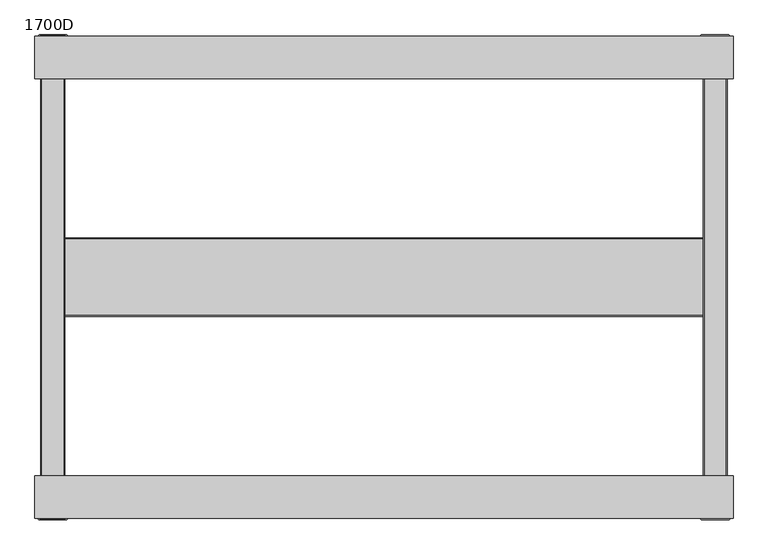
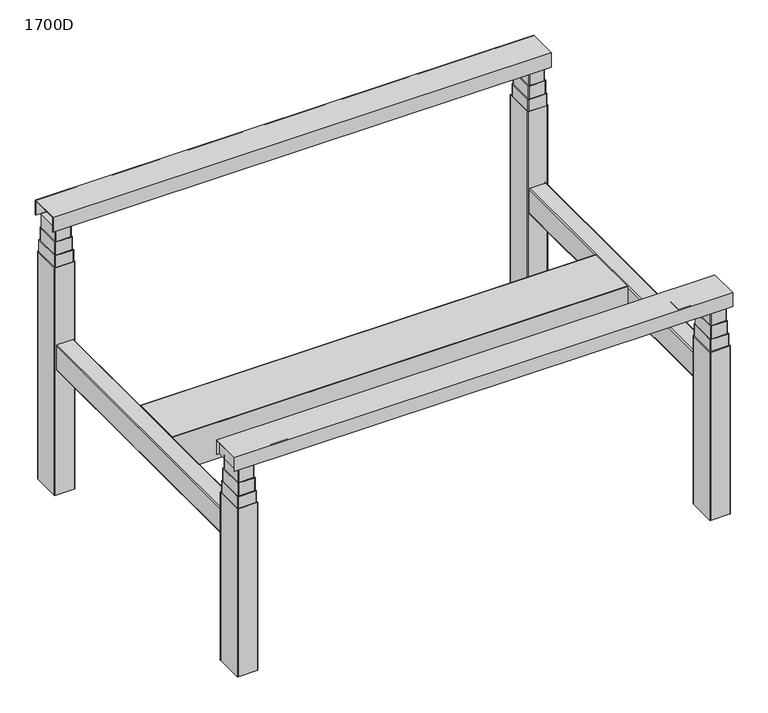
"""IFC4 building model written with IfcOpenShell, lengths in millimetres: furniture geometry, 1700D."""

from ifc_helpers import new_model, si_unit, point, frame, frame_2d, origin, origin_with_axes, place, context, project, spatial, polyline, circle_curve, ellipse_curve, trimmed, segment, composite_curve, outline, extrude, source, transform, mapped, element, save
from ifc_brep_helpers import plane_surface, cylinder_surface, revolved_surface, advanced_brep


def furniture_1700d_f0736d44(model_context):
    return source(origin(), model_context, "Body", "SolidModel", [
        extrude(outline(polyline([(547.344035, 940.0), (547.344035, 891.5047426), (545.9449098, 891.5047426), (545.9449098, 939.1108675), (451.9421795, 939.1108675), (451.9421795, 891.5047426), (450.5421795, 891.5047426), (450.5421795, 940.0), (547.344035, 940.0)])), frame((-791.6392613, 0.0, 0.0), z_axis=(1.0, 0.0, 0.0), x_axis=(0.0, 1.0, 0.0)), (0.0, 0.0, 1.0), 1583.2785484),
        extrude(outline(composite_curve([segment(trimmed(circle_curve(frame_2d((728.3996317, 462.4319041)), 2.0), [point((728.3996317, 460.4319041))], [point((726.3996317, 462.4319041))], False, "CARTESIAN"), True, "CONTINUOUS"), segment(polyline([(726.3996317, 462.4319041), (726.3996317, 538.4320598)]), True, "CONTINUOUS"), segment(trimmed(circle_curve(frame_2d((728.3996317, 538.4320598)), 2.0), [point((726.3996317, 538.4320598))], [point((728.3996317, 540.4320598))], False, "CARTESIAN"), True, "CONTINUOUS"), segment(polyline([(728.3996317, 540.4320598), (774.3996805, 540.4320598)]), True, "CONTINUOUS"), segment(trimmed(circle_curve(frame_2d((774.3996805, 538.4320598)), 2.0), [point((774.3996805, 540.4320598))], [point((776.3996805, 538.4320598))], False, "CARTESIAN"), True, "CONTINUOUS"), segment(polyline([(776.3996805, 538.4320598), (776.3996805, 462.4319041)]), True, "CONTINUOUS"), segment(trimmed(circle_curve(frame_2d((774.3996805, 462.4319041)), 2.0), [point((776.3996805, 462.4319041))], [point((774.3996805, 460.4319041))], False, "CARTESIAN"), True, "CONTINUOUS"), segment(polyline([(774.3996805, 460.4319041), (728.3996317, 460.4319041)]), True, "CONTINUOUS")], self_intersect=False)), frame((0.0, 0.0, 846.4791092), z_axis=(0.0, 0.0, 1.0), x_axis=(1.0, 0.0, 0.0)), (0.0, 0.0, 1.0), 45.0256334),
        extrude(outline(composite_curve([segment(polyline([(-728.3996317, 462.8319041), (-774.3996805, 462.8319041)]), True, "CONTINUOUS"), segment(trimmed(circle_curve(frame_2d((-774.3996805, 464.8319041)), 2.0), [point((-774.3996805, 462.8319041))], [point((-776.3996805, 464.8319041))], False, "CARTESIAN"), True, "CONTINUOUS"), segment(polyline([(-776.3996805, 464.8319041), (-776.3996805, 540.8320598)]), True, "CONTINUOUS"), segment(trimmed(circle_curve(frame_2d((-774.3996805, 540.8320598)), 2.0), [point((-776.3996805, 540.8320598))], [point((-774.3996805, 542.8320598))], False, "CARTESIAN"), True, "CONTINUOUS"), segment(polyline([(-774.3996805, 542.8320598), (-728.3996317, 542.8320598)]), True, "CONTINUOUS"), segment(trimmed(circle_curve(frame_2d((-728.3996317, 540.8320598)), 2.0), [point((-728.3996317, 542.8320598))], [point((-726.3996317, 540.8320598))], False, "CARTESIAN"), True, "CONTINUOUS"), segment(polyline([(-726.3996317, 540.8320598), (-726.3996317, 464.8319041)]), True, "CONTINUOUS"), segment(trimmed(circle_curve(frame_2d((-728.3996317, 464.8319041)), 2.0), [point((-726.3996317, 464.8319041))], [point((-728.3996317, 462.8319041))], False, "CARTESIAN"), True, "CONTINUOUS")], self_intersect=False)), frame((0.0, 0.0, 846.4791092), z_axis=(0.0, 0.0, 1.0), x_axis=(1.0, 0.0, 0.0)), (0.0, 0.0, 1.0), 45.0256334),
        extrude(outline(composite_curve([segment(trimmed(circle_curve(frame_2d((725.8974588, 459.9312816)), 2.0), [point((725.8974588, 457.9312816))], [point((723.8974588, 459.9312816))], False, "CARTESIAN"), True, "CONTINUOUS"), segment(polyline([(723.8974588, 459.9312816), (723.8974588, 540.9307445)]), True, "CONTINUOUS"), segment(trimmed(circle_curve(frame_2d((725.8974588, 540.9307445)), 2.0), [point((723.8974588, 540.9307445))], [point((725.8974588, 542.9307445))], False, "CARTESIAN"), True, "CONTINUOUS"), segment(polyline([(725.8974588, 542.9307445), (776.8984985, 542.9307445)]), True, "CONTINUOUS"), segment(trimmed(circle_curve(frame_2d((776.8984985, 540.9307445)), 2.0), [point((776.8984985, 542.9307445))], [point((778.8984985, 540.9307445))], False, "CARTESIAN"), True, "CONTINUOUS"), segment(polyline([(778.8984985, 540.9307445), (778.8984985, 459.9312816)]), True, "CONTINUOUS"), segment(trimmed(circle_curve(frame_2d((776.8984985, 459.9312816)), 2.0), [point((778.8984985, 459.9312816))], [point((776.8984985, 457.9312816))], False, "CARTESIAN"), True, "CONTINUOUS"), segment(polyline([(776.8984985, 457.9312816), (725.8974588, 457.9312816)]), True, "CONTINUOUS")], self_intersect=False)), frame((0.0, 0.0, 803.4550737), z_axis=(0.0, 0.0, 1.0), x_axis=(1.0, 0.0, 0.0)), (0.0, 0.0, 1.0), 43.0240355),
        extrude(outline(composite_curve([segment(polyline([(-725.8974588, 460.3312816), (-776.8973977, 460.3312816)]), True, "CONTINUOUS"), segment(trimmed(circle_curve(frame_2d((-776.8973977, 462.3312816)), 2.0), [point((-776.8973977, 460.3312816))], [point((-778.8973977, 462.3312816))], False, "CARTESIAN"), True, "CONTINUOUS"), segment(polyline([(-778.8973977, 462.3312816), (-778.8973977, 543.3307445)]), True, "CONTINUOUS"), segment(trimmed(circle_curve(frame_2d((-776.8973977, 543.3307445)), 2.0), [point((-778.8973977, 543.3307445))], [point((-776.8973977, 545.3307445))], False, "CARTESIAN"), True, "CONTINUOUS"), segment(polyline([(-776.8973977, 545.3307445), (-725.8974588, 545.3307445)]), True, "CONTINUOUS"), segment(trimmed(circle_curve(frame_2d((-725.8974588, 543.3307445)), 2.0), [point((-725.8974588, 545.3307445))], [point((-723.8974588, 543.3307445))], False, "CARTESIAN"), True, "CONTINUOUS"), segment(polyline([(-723.8974588, 543.3307445), (-723.8974588, 462.3312816)]), True, "CONTINUOUS"), segment(trimmed(circle_curve(frame_2d((-725.8974588, 462.3312816)), 2.0), [point((-723.8974588, 462.3312816))], [point((-725.8974588, 460.3312816))], False, "CARTESIAN"), True, "CONTINUOUS")], self_intersect=False)), frame((0.0, 0.0, 803.4550737), z_axis=(0.0, 0.0, 1.0), x_axis=(1.0, 0.0, 0.0)), (0.0, 0.0, 1.0), 43.0240355),
        extrude(outline(composite_curve([segment(trimmed(circle_curve(frame_2d((723.3983866, 457.5376292)), 2.0), [point((723.3983866, 455.5376292))], [point((721.3983866, 457.5376292))], False, "CARTESIAN"), True, "CONTINUOUS"), segment(polyline([(721.3983866, 457.5376292), (721.3983866, 543.3794322)]), True, "CONTINUOUS"), segment(trimmed(circle_curve(frame_2d((723.3983866, 543.3794322)), 2.0), [point((721.3983866, 543.3794322))], [point((723.3983866, 545.3794322))], False, "CARTESIAN"), True, "CONTINUOUS"), segment(polyline([(723.3983866, 545.3794322), (779.4132014, 545.3794322)]), True, "CONTINUOUS"), segment(trimmed(circle_curve(frame_2d((779.4132014, 543.3794322)), 2.0), [point((779.4132014, 545.3794322))], [point((781.4132014, 543.3794322))], False, "CARTESIAN"), True, "CONTINUOUS"), segment(polyline([(781.4132014, 543.3794322), (781.4132014, 457.5376292)]), True, "CONTINUOUS"), segment(trimmed(circle_curve(frame_2d((779.4132014, 457.5376292)), 2.0), [point((781.4132014, 457.5376292))], [point((779.4132014, 455.5376292))], False, "CARTESIAN"), True, "CONTINUOUS"), segment(polyline([(779.4132014, 455.5376292), (723.3983866, 455.5376292)]), True, "CONTINUOUS")], self_intersect=False)), frame((0.0, 0.0, 764.2068252), z_axis=(0.0, 0.0, 1.0), x_axis=(1.0, 0.0, 0.0)), (0.0, 0.0, 1.0), 39.2482485),
        extrude(outline(composite_curve([segment(polyline([(-723.3983866, 457.9376292), (-779.4114566, 457.9376292)]), True, "CONTINUOUS"), segment(trimmed(circle_curve(frame_2d((-779.4114566, 459.9376292)), 2.0), [point((-779.4114566, 457.9376292))], [point((-781.4114566, 459.9376292))], False, "CARTESIAN"), True, "CONTINUOUS"), segment(polyline([(-781.4114566, 459.9376292), (-781.4114566, 545.9352367)]), True, "CONTINUOUS"), segment(trimmed(circle_curve(frame_2d((-779.4114566, 545.9352367)), 2.0), [point((-781.4114566, 545.9352367))], [point((-779.4114566, 547.9352367))], False, "CARTESIAN"), True, "CONTINUOUS"), segment(polyline([(-779.4114566, 547.9352367), (-723.3983866, 547.9352367)]), True, "CONTINUOUS"), segment(trimmed(circle_curve(frame_2d((-723.3983866, 545.9352367)), 2.0), [point((-723.3983866, 547.9352367))], [point((-721.3983866, 545.9352367))], False, "CARTESIAN"), True, "CONTINUOUS"), segment(polyline([(-721.3983866, 545.9352367), (-721.3983866, 459.9376292)]), True, "CONTINUOUS"), segment(trimmed(circle_curve(frame_2d((-723.3983866, 459.9376292)), 2.0), [point((-721.3983866, 459.9376292))], [point((-723.3983866, 457.9376292))], False, "CARTESIAN"), True, "CONTINUOUS")], self_intersect=False)), frame((0.0, 0.0, 764.2068252), z_axis=(0.0, 0.0, 1.0), x_axis=(1.0, 0.0, 0.0)), (0.0, 0.0, 1.0), 39.2482485),
        extrude(outline(composite_curve([segment(trimmed(circle_curve(frame_2d((720.5708642, 457.3327495)), 2.0), [point((720.5708642, 455.3327495))], [point((718.5708642, 457.3327495))], False, "CARTESIAN"), True, "CONTINUOUS"), segment(polyline([(718.5708642, 457.3327495), (718.5708642, 548.2883848)]), True, "CONTINUOUS"), segment(trimmed(circle_curve(frame_2d((720.5708642, 548.2883848)), 2.0), [point((718.5708642, 548.2883848))], [point((720.5708642, 550.2883848))], False, "CARTESIAN"), True, "CONTINUOUS"), segment(polyline([(720.5708642, 550.2883848), (781.577537, 550.2883848)]), True, "CONTINUOUS"), segment(trimmed(circle_curve(frame_2d((781.577537, 548.2883848)), 2.0), [point((781.577537, 550.2883848))], [point((783.577537, 548.2883848))], False, "CARTESIAN"), True, "CONTINUOUS"), segment(polyline([(783.577537, 548.2883848), (783.577537, 457.3327495)]), True, "CONTINUOUS"), segment(trimmed(circle_curve(frame_2d((781.577537, 457.3327495)), 2.0), [point((783.577537, 457.3327495))], [point((781.577537, 455.3327495))], False, "CARTESIAN"), True, "CONTINUOUS"), segment(polyline([(781.577537, 455.3327495), (720.5708642, 455.3327495)]), True, "CONTINUOUS")], self_intersect=False)), origin_with_axes(), (0.0, 0.0, 1.0), 764.2068252),
        extrude(outline(composite_curve([segment(polyline([(-720.5708642, 455.3327495), (-781.577537, 455.3327495)]), True, "CONTINUOUS"), segment(trimmed(circle_curve(frame_2d((-781.577537, 457.3327495)), 2.0), [point((-781.577537, 455.3327495))], [point((-783.577537, 457.3327495))], False, "CARTESIAN"), True, "CONTINUOUS"), segment(polyline([(-783.577537, 457.3327495), (-783.577537, 548.2883848)]), True, "CONTINUOUS"), segment(trimmed(circle_curve(frame_2d((-781.577537, 548.2883848)), 2.0), [point((-783.577537, 548.2883848))], [point((-781.577537, 550.2883848))], False, "CARTESIAN"), True, "CONTINUOUS"), segment(polyline([(-781.577537, 550.2883848), (-720.5708642, 550.2883848)]), True, "CONTINUOUS"), segment(trimmed(circle_curve(frame_2d((-720.5708642, 548.2883848)), 2.0), [point((-720.5708642, 550.2883848))], [point((-718.5708642, 548.2883848))], False, "CARTESIAN"), True, "CONTINUOUS"), segment(polyline([(-718.5708642, 548.2883848), (-718.5708642, 457.3327495)]), True, "CONTINUOUS"), segment(trimmed(circle_curve(frame_2d((-720.5708642, 457.3327495)), 2.0), [point((-718.5708642, 457.3327495))], [point((-720.5708642, 455.3327495))], False, "CARTESIAN"), True, "CONTINUOUS")], self_intersect=False)), origin_with_axes(), (0.0, 0.0, 1.0), 764.2068252),
        extrude(outline(composite_curve([segment(trimmed(circle_curve(frame_2d((-728.3996317, -464.8319041)), 2.0), [point((-728.3996317, -462.8319041))], [point((-726.3996317, -464.8319041))], False, "CARTESIAN"), True, "CONTINUOUS"), segment(polyline([(-726.3996317, -464.8319041), (-726.3996317, -540.8320598)]), True, "CONTINUOUS"), segment(trimmed(circle_curve(frame_2d((-728.3996317, -540.8320598)), 2.0), [point((-726.3996317, -540.8320598))], [point((-728.3996317, -542.8320598))], False, "CARTESIAN"), True, "CONTINUOUS"), segment(polyline([(-728.3996317, -542.8320598), (-774.3996805, -542.8320598)]), True, "CONTINUOUS"), segment(trimmed(circle_curve(frame_2d((-774.3996805, -540.8320598)), 2.0), [point((-774.3996805, -542.8320598))], [point((-776.3996805, -540.8320598))], False, "CARTESIAN"), True, "CONTINUOUS"), segment(polyline([(-776.3996805, -540.8320598), (-776.3996805, -464.8319041)]), True, "CONTINUOUS"), segment(trimmed(circle_curve(frame_2d((-774.3996805, -464.8319041)), 2.0), [point((-776.3996805, -464.8319041))], [point((-774.3996805, -462.8319041))], False, "CARTESIAN"), True, "CONTINUOUS"), segment(polyline([(-774.3996805, -462.8319041), (-728.3996317, -462.8319041)]), True, "CONTINUOUS")], self_intersect=False)), frame((0.0, 0.0, 646.4791092), z_axis=(0.0, 0.0, 1.0), x_axis=(1.0, 0.0, 0.0)), (0.0, 0.0, 1.0), 45.0256334),
        extrude(outline(composite_curve([segment(polyline([(728.3996317, -460.4319041), (774.3996805, -460.4319041)]), True, "CONTINUOUS"), segment(trimmed(circle_curve(frame_2d((774.3996805, -462.4319041)), 2.0), [point((774.3996805, -460.4319041))], [point((776.3996805, -462.4319041))], False, "CARTESIAN"), True, "CONTINUOUS"), segment(polyline([(776.3996805, -462.4319041), (776.3996805, -538.4320598)]), True, "CONTINUOUS"), segment(trimmed(circle_curve(frame_2d((774.3996805, -538.4320598)), 2.0), [point((776.3996805, -538.4320598))], [point((774.3996805, -540.4320598))], False, "CARTESIAN"), True, "CONTINUOUS"), segment(polyline([(774.3996805, -540.4320598), (728.3996317, -540.4320598)]), True, "CONTINUOUS"), segment(trimmed(circle_curve(frame_2d((728.3996317, -538.4320598)), 2.0), [point((728.3996317, -540.4320598))], [point((726.3996317, -538.4320598))], False, "CARTESIAN"), True, "CONTINUOUS"), segment(polyline([(726.3996317, -538.4320598), (726.3996317, -462.4319041)]), True, "CONTINUOUS"), segment(trimmed(circle_curve(frame_2d((728.3996317, -462.4319041)), 2.0), [point((726.3996317, -462.4319041))], [point((728.3996317, -460.4319041))], False, "CARTESIAN"), True, "CONTINUOUS")], self_intersect=False)), frame((0.0, 0.0, 646.4791092), z_axis=(0.0, 0.0, 1.0), x_axis=(1.0, 0.0, 0.0)), (0.0, 0.0, 1.0), 45.0256334),
        extrude(outline(composite_curve([segment(polyline([(725.8974588, -457.9312816), (776.8984985, -457.9312816)]), True, "CONTINUOUS"), segment(trimmed(circle_curve(frame_2d((776.8984985, -459.9312816)), 2.0), [point((776.8984985, -457.9312816))], [point((778.8984985, -459.9312816))], False, "CARTESIAN"), True, "CONTINUOUS"), segment(polyline([(778.8984985, -459.9312816), (778.8984985, -540.9307445)]), True, "CONTINUOUS"), segment(trimmed(circle_curve(frame_2d((776.8984985, -540.9307445)), 2.0), [point((778.8984985, -540.9307445))], [point((776.8984985, -542.9307445))], False, "CARTESIAN"), True, "CONTINUOUS"), segment(polyline([(776.8984985, -542.9307445), (725.8974588, -542.9307445)]), True, "CONTINUOUS"), segment(trimmed(circle_curve(frame_2d((725.8974588, -540.9307445)), 2.0), [point((725.8974588, -542.9307445))], [point((723.8974588, -540.9307445))], False, "CARTESIAN"), True, "CONTINUOUS"), segment(polyline([(723.8974588, -540.9307445), (723.8974588, -459.9312816)]), True, "CONTINUOUS"), segment(trimmed(circle_curve(frame_2d((725.8974588, -459.9312816)), 2.0), [point((723.8974588, -459.9312816))], [point((725.8974588, -457.9312816))], False, "CARTESIAN"), True, "CONTINUOUS")], self_intersect=False)), frame((0.0, 0.0, 603.4550737), z_axis=(0.0, 0.0, 1.0), x_axis=(1.0, 0.0, 0.0)), (0.0, 0.0, 1.0), 43.0240355),
        extrude(outline(composite_curve([segment(trimmed(circle_curve(frame_2d((-725.8974588, -462.3312816)), 2.0), [point((-725.8974588, -460.3312816))], [point((-723.8974588, -462.3312816))], False, "CARTESIAN"), True, "CONTINUOUS"), segment(polyline([(-723.8974588, -462.3312816), (-723.8974588, -543.3307445)]), True, "CONTINUOUS"), segment(trimmed(circle_curve(frame_2d((-725.8974588, -543.3307445)), 2.0), [point((-723.8974588, -543.3307445))], [point((-725.8974588, -545.3307445))], False, "CARTESIAN"), True, "CONTINUOUS"), segment(polyline([(-725.8974588, -545.3307445), (-776.8973977, -545.3307445)]), True, "CONTINUOUS"), segment(trimmed(circle_curve(frame_2d((-776.8973977, -543.3307445)), 2.0), [point((-776.8973977, -545.3307445))], [point((-778.8973977, -543.3307445))], False, "CARTESIAN"), True, "CONTINUOUS"), segment(polyline([(-778.8973977, -543.3307445), (-778.8973977, -462.3312816)]), True, "CONTINUOUS"), segment(trimmed(circle_curve(frame_2d((-776.8973977, -462.3312816)), 2.0), [point((-778.8973977, -462.3312816))], [point((-776.8973977, -460.3312816))], False, "CARTESIAN"), True, "CONTINUOUS"), segment(polyline([(-776.8973977, -460.3312816), (-725.8974588, -460.3312816)]), True, "CONTINUOUS")], self_intersect=False)), frame((0.0, 0.0, 603.4550737), z_axis=(0.0, 0.0, 1.0), x_axis=(1.0, 0.0, 0.0)), (0.0, 0.0, 1.0), 43.0240355),
        extrude(outline(composite_curve([segment(polyline([(723.3983866, -455.5376292), (779.4132014, -455.5376292)]), True, "CONTINUOUS"), segment(trimmed(circle_curve(frame_2d((779.4132014, -457.5376292)), 2.0), [point((779.4132014, -455.5376292))], [point((781.4132014, -457.5376292))], False, "CARTESIAN"), True, "CONTINUOUS"), segment(polyline([(781.4132014, -457.5376292), (781.4132014, -543.3794322)]), True, "CONTINUOUS"), segment(trimmed(circle_curve(frame_2d((779.4132014, -543.3794322)), 2.0), [point((781.4132014, -543.3794322))], [point((779.4132014, -545.3794322))], False, "CARTESIAN"), True, "CONTINUOUS"), segment(polyline([(779.4132014, -545.3794322), (723.3983866, -545.3794322)]), True, "CONTINUOUS"), segment(trimmed(circle_curve(frame_2d((723.3983866, -543.3794322)), 2.0), [point((723.3983866, -545.3794322))], [point((721.3983866, -543.3794322))], False, "CARTESIAN"), True, "CONTINUOUS"), segment(polyline([(721.3983866, -543.3794322), (721.3983866, -457.5376292)]), True, "CONTINUOUS"), segment(trimmed(circle_curve(frame_2d((723.3983866, -457.5376292)), 2.0), [point((721.3983866, -457.5376292))], [point((723.3983866, -455.5376292))], False, "CARTESIAN"), True, "CONTINUOUS")], self_intersect=False)), frame((0.0, 0.0, 564.2068252), z_axis=(0.0, 0.0, 1.0), x_axis=(1.0, 0.0, 0.0)), (0.0, 0.0, 1.0), 39.2482485),
        extrude(outline(composite_curve([segment(trimmed(circle_curve(frame_2d((-723.3983866, -459.9376292)), 2.0), [point((-723.3983866, -457.9376292))], [point((-721.3983866, -459.9376292))], False, "CARTESIAN"), True, "CONTINUOUS"), segment(polyline([(-721.3983866, -459.9376292), (-721.3983866, -545.9352367)]), True, "CONTINUOUS"), segment(trimmed(circle_curve(frame_2d((-723.3983866, -545.9352367)), 2.0), [point((-721.3983866, -545.9352367))], [point((-723.3983866, -547.9352367))], False, "CARTESIAN"), True, "CONTINUOUS"), segment(polyline([(-723.3983866, -547.9352367), (-779.4114566, -547.9352367)]), True, "CONTINUOUS"), segment(trimmed(circle_curve(frame_2d((-779.4114566, -545.9352367)), 2.0), [point((-779.4114566, -547.9352367))], [point((-781.4114566, -545.9352367))], False, "CARTESIAN"), True, "CONTINUOUS"), segment(polyline([(-781.4114566, -545.9352367), (-781.4114566, -459.9376292)]), True, "CONTINUOUS"), segment(trimmed(circle_curve(frame_2d((-779.4114566, -459.9376292)), 2.0), [point((-781.4114566, -459.9376292))], [point((-779.4114566, -457.9376292))], False, "CARTESIAN"), True, "CONTINUOUS"), segment(polyline([(-779.4114566, -457.9376292), (-723.3983866, -457.9376292)]), True, "CONTINUOUS")], self_intersect=False)), frame((0.0, 0.0, 564.2068252), z_axis=(0.0, 0.0, 1.0), x_axis=(1.0, 0.0, 0.0)), (0.0, 0.0, 1.0), 39.2482485),
        extrude(outline(composite_curve([segment(trimmed(circle_curve(frame_2d((-720.5708642, -457.3327495)), 2.0), [point((-720.5708642, -455.3327495))], [point((-718.5708642, -457.3327495))], False, "CARTESIAN"), True, "CONTINUOUS"), segment(polyline([(-718.5708642, -457.3327495), (-718.5708642, -548.2883848)]), True, "CONTINUOUS"), segment(trimmed(circle_curve(frame_2d((-720.5708642, -548.2883848)), 2.0), [point((-718.5708642, -548.2883848))], [point((-720.5708642, -550.2883848))], False, "CARTESIAN"), True, "CONTINUOUS"), segment(polyline([(-720.5708642, -550.2883848), (-781.577537, -550.2883848)]), True, "CONTINUOUS"), segment(trimmed(circle_curve(frame_2d((-781.577537, -548.2883848)), 2.0), [point((-781.577537, -550.2883848))], [point((-783.577537, -548.2883848))], False, "CARTESIAN"), True, "CONTINUOUS"), segment(polyline([(-783.577537, -548.2883848), (-783.577537, -457.3327495)]), True, "CONTINUOUS"), segment(trimmed(circle_curve(frame_2d((-781.577537, -457.3327495)), 2.0), [point((-783.577537, -457.3327495))], [point((-781.577537, -455.3327495))], False, "CARTESIAN"), True, "CONTINUOUS"), segment(polyline([(-781.577537, -455.3327495), (-720.5708642, -455.3327495)]), True, "CONTINUOUS")], self_intersect=False)), origin_with_axes(), (0.0, 0.0, 1.0), 564.2068252),
        extrude(outline(composite_curve([segment(polyline([(720.5708642, -455.3327495), (781.577537, -455.3327495)]), True, "CONTINUOUS"), segment(trimmed(circle_curve(frame_2d((781.577537, -457.3327495)), 2.0), [point((781.577537, -455.3327495))], [point((783.577537, -457.3327495))], False, "CARTESIAN"), True, "CONTINUOUS"), segment(polyline([(783.577537, -457.3327495), (783.577537, -548.2883848)]), True, "CONTINUOUS"), segment(trimmed(circle_curve(frame_2d((781.577537, -548.2883848)), 2.0), [point((783.577537, -548.2883848))], [point((781.577537, -550.2883848))], False, "CARTESIAN"), True, "CONTINUOUS"), segment(polyline([(781.577537, -550.2883848), (720.5708642, -550.2883848)]), True, "CONTINUOUS"), segment(trimmed(circle_curve(frame_2d((720.5708642, -548.2883848)), 2.0), [point((720.5708642, -550.2883848))], [point((718.5708642, -548.2883848))], False, "CARTESIAN"), True, "CONTINUOUS"), segment(polyline([(718.5708642, -548.2883848), (718.5708642, -457.3327495)]), True, "CONTINUOUS"), segment(trimmed(circle_curve(frame_2d((720.5708642, -457.3327495)), 2.0), [point((718.5708642, -457.3327495))], [point((720.5708642, -455.3327495))], False, "CARTESIAN"), True, "CONTINUOUS")], self_intersect=False)), origin_with_axes(), (0.0, 0.0, 1.0), 564.2068252),
        extrude(outline(polyline([(647.2360611, 86.80003), (647.2360611, -86.80003), (-647.7639389, -86.80003), (-647.7639389, 86.80003), (647.2360611, 86.80003)])), frame((0.0, 0.0, 384.6749427), z_axis=(0.0, 0.0, 1.0), x_axis=(1.0, 0.0, 0.0)), (0.0, 0.0, 1.0), 1.1651018),
        extrude(outline(polyline([(505.0327586, -723.5069859), (430.3034231, -723.5069859), (384.6749427, -647.7639389), (384.6749427, 647.2360611), (428.3161968, 723.5069859), (505.0327586, 723.5069859), (505.0327586, -723.5069859)])), frame((0.0, -88.8000502, 0.0), z_axis=(0.0, 1.0, 0.0), x_axis=(0.0, 0.0, 1.0)), (0.0, 0.0, 1.0), 2.0000202),
        extrude(outline(polyline([(723.5069859, 86.80003), (723.5069859, -86.80003), (-723.5069859, -86.80003), (-723.5069859, 86.80003), (723.5069859, 86.80003)])), frame((0.0, 0.0, 503.3021681), z_axis=(0.0, 0.0, 1.0), x_axis=(1.0, 0.0, 0.0)), (0.0, 0.0, 1.0), 1.7305905),
        extrude(outline(polyline([(505.0327586, -723.5069859), (430.3034231, -723.5069859), (384.6749427, -647.7639389), (384.6749427, 647.2360611), (428.3161968, 723.5069859), (505.0327586, 723.5069859), (505.0327586, -723.5069859)])), frame((0.0, 86.80003, 0.0), z_axis=(0.0, 1.0, 0.0), x_axis=(0.0, 0.0, 1.0)), (0.0, 0.0, 1.0), 2.0000202),
        extrude(outline(polyline([(-783.577537, -453.3482098), (-621.0574382, -453.3482098), (-621.0574382, -543.9504314), (-783.577537, -543.9504314), (-783.577537, -453.3482098)])), frame((0.0, 0.0, 691.5047426), z_axis=(0.0, 0.0, 1.0), x_axis=(1.0, 0.0, 0.0)), (0.0, 0.0, 1.0), 47.6061249),
        extrude(outline(polyline([(791.6392871, -453.3482098), (791.6392871, -543.9504314), (621.0574382, -543.9504314), (621.0574382, -453.3482098), (791.6392871, -453.3482098)])), frame((0.0, 0.0, 691.5047426), z_axis=(0.0, 0.0, 1.0), x_axis=(1.0, 0.0, 0.0)), (0.0, 0.0, 1.0), 47.6061249),
        extrude(outline(polyline([(-547.344035, 740.0), (-450.5421795, 740.0), (-450.5421795, 691.5047426), (-451.9421795, 691.5047426), (-451.9421795, 739.1108675), (-545.9449098, 739.1108675), (-545.9449098, 691.5047426), (-547.344035, 691.5047426), (-547.344035, 740.0)])), frame((-791.6392613, 0.0, 0.0), z_axis=(1.0, 0.0, 0.0), x_axis=(0.0, 1.0, 0.0)), (0.0, 0.0, 1.0), 1583.2785484),
        advanced_brep(
        [(774.8213573, 499.2554852, 0.0), (726.3350461, 499.2554852, 0.0), (750.5782017, 499.2554852, 0.0), (774.8213573, 499.2554852, 4.7486355), (726.3350461, 499.2554852, 4.7486355), (753.9989006, 499.2554852, 8.0066122), (747.1575028, 499.2554852, 8.0066122), (753.9989006, 499.2554852, 22.507611), (747.1575028, 499.2554852, 22.507611), (750.5782017, 499.2554852, 22.507611)],
        [
            (0, 1, circle_curve(frame((750.5782017, 499.2554852, 0.0), z_axis=(0.0, 0.0, -1.0), x_axis=(-1.0, 0.0, 0.0)), 24.2431556)),
            (1, 2),
            (2, 0),
            (1, 0, circle_curve(frame((750.5782017, 499.2554852, 0.0), z_axis=(0.0, 0.0, -1.0), x_axis=(-1.0, 0.0, 0.0)), 24.2431556)),
            (3, 4, circle_curve(frame((750.5782017, 499.2554852, 4.7486355), z_axis=(0.0, 0.0, -1.0), x_axis=(-1.0, 0.0, 0.0)), 24.2431556)),
            (4, 1),
            (0, 3),
            (4, 3, circle_curve(frame((750.5782017, 499.2554852, 4.7486355), z_axis=(0.0, 0.0, -1.0), x_axis=(-1.0, 0.0, 0.0)), 24.2431556)),
            (5, 6, circle_curve(frame((750.5782017, 499.2554852, 8.0066122), z_axis=(0.0, 0.0, -1.0), x_axis=(-1.0, 0.0, 0.0)), 3.4206989)),
            (6, 4, circle_curve(frame((746.210294, 499.2554852, -54.1090384), z_axis=(0.0, -1.0, 0.0), x_axis=(-1.0, 0.0, 0.0)), 62.1228723)),
            (3, 5, circle_curve(frame((754.9461095, 499.2554852, -54.1090384), z_axis=(0.0, -1.0, 0.0), x_axis=(1.0, 0.0, 0.0)), 62.1228723)),
            (6, 5, circle_curve(frame((750.5782017, 499.2554852, 8.0066122), z_axis=(0.0, 0.0, -1.0), x_axis=(-1.0, 0.0, 0.0)), 3.4206989)),
            (7, 8, circle_curve(frame((750.5782017, 499.2554852, 22.507611), z_axis=(0.0, 0.0, -1.0), x_axis=(-1.0, 0.0, 0.0)), 3.4206989)),
            (8, 6),
            (5, 7),
            (8, 7, circle_curve(frame((750.5782017, 499.2554852, 22.507611), z_axis=(0.0, 0.0, -1.0), x_axis=(-1.0, 0.0, 0.0)), 3.4206989)),
            (9, 8),
            (7, 9),
        ],
        [
            plane_surface(frame((750.5782017, 499.2554852, 0.0), z_axis=(0.0, 0.0, -1.0), x_axis=(-1.0, 0.0, 0.0))),
            cylinder_surface(frame((750.5782017, 499.2554852, 22.507611), z_axis=(0.0, 0.0, 1.0), x_axis=(-1.0, 0.0, 0.0)), 24.2431556),
            revolved_surface(trimmed(ellipse_curve(frame((746.210294, 499.2554852, -54.1090384), z_axis=(0.0, 1.0, 0.0), x_axis=(-1.0, 0.0, 0.0)), 62.1228723, 62.1228723), [point((726.3350461, 499.2554852, 4.7486355))], [point((747.1575028, 499.2554852, 8.0066122))], True, "CARTESIAN"), (750.5782017, 499.2554852, 22.507611), (0.0, 0.0, 1.0)),
            cylinder_surface(frame((750.5782017, 499.2554852, 22.507611), z_axis=(0.0, 0.0, 1.0), x_axis=(-1.0, 0.0, 0.0)), 3.4206989),
            plane_surface(frame((750.5782017, 499.2554852, 22.507611), z_axis=(0.0, 0.0, 1.0), x_axis=(-1.0, 0.0, 0.0))),
        ],
        [
            (0, [[1, 2, 3]]),
            (0, [[4, -3, -2]]),
            (1, [[5, 6, -1, 7]]),
            (1, [[8, -7, -4, -6]]),
            (2, [[9, 10, -5, 11]]),
            (2, [[12, -11, -8, -10]]),
            (3, [[13, 14, -9, 15]]),
            (3, [[16, -15, -12, -14]]),
            (4, [[17, -13, 18]]),
            (4, [[-18, -16, -17]]),
        ],
    ),
        advanced_brep(
        [(750.5782017, -499.2554852, 0.0), (726.3350461, -499.2554852, 0.0), (774.8213573, -499.2554852, 0.0), (726.3350461, -499.2554852, 4.7486355), (774.8213573, -499.2554852, 4.7486355), (747.1575028, -499.2554852, 8.0066122), (753.9989006, -499.2554852, 8.0066122), (747.1575028, -499.2554852, 22.507611), (753.9989006, -499.2554852, 22.507611), (750.5782017, -499.2554852, 22.507611)],
        [
            (0, 1),
            (1, 2, circle_curve(frame((750.5782017, -499.2554852, 0.0), z_axis=(0.0, 0.0, -1.0), x_axis=(-1.0, 0.0, 0.0)), 24.2431556)),
            (2, 0),
            (2, 1, circle_curve(frame((750.5782017, -499.2554852, 0.0), z_axis=(0.0, 0.0, -1.0), x_axis=(-1.0, 0.0, 0.0)), 24.2431556)),
            (1, 3),
            (3, 4, circle_curve(frame((750.5782017, -499.2554852, 4.7486355), z_axis=(0.0, 0.0, -1.0), x_axis=(-1.0, 0.0, 0.0)), 24.2431556)),
            (4, 2),
            (4, 3, circle_curve(frame((750.5782017, -499.2554852, 4.7486355), z_axis=(0.0, 0.0, -1.0), x_axis=(-1.0, 0.0, 0.0)), 24.2431556)),
            (3, 5, circle_curve(frame((746.210294, -499.2554852, -54.1090384), z_axis=(0.0, 1.0, 0.0), x_axis=(-1.0, 0.0, 0.0)), 62.1228723)),
            (5, 6, circle_curve(frame((750.5782017, -499.2554852, 8.0066122), z_axis=(0.0, 0.0, -1.0), x_axis=(-1.0, 0.0, 0.0)), 3.4206989)),
            (6, 4, circle_curve(frame((754.9461095, -499.2554852, -54.1090384), z_axis=(0.0, 1.0, 0.0), x_axis=(1.0, 0.0, 0.0)), 62.1228723)),
            (6, 5, circle_curve(frame((750.5782017, -499.2554852, 8.0066122), z_axis=(0.0, 0.0, -1.0), x_axis=(-1.0, 0.0, 0.0)), 3.4206989)),
            (5, 7),
            (7, 8, circle_curve(frame((750.5782017, -499.2554852, 22.507611), z_axis=(0.0, 0.0, -1.0), x_axis=(-1.0, 0.0, 0.0)), 3.4206989)),
            (8, 6),
            (8, 7, circle_curve(frame((750.5782017, -499.2554852, 22.507611), z_axis=(0.0, 0.0, -1.0), x_axis=(-1.0, 0.0, 0.0)), 3.4206989)),
            (7, 9),
            (9, 8),
        ],
        [
            plane_surface(frame((750.5782017, -499.2554852, 0.0), z_axis=(0.0, 0.0, -1.0), x_axis=(-1.0, 0.0, 0.0))),
            cylinder_surface(frame((750.5782017, -499.2554852, 22.507611), z_axis=(0.0, 0.0, -1.0), x_axis=(-1.0, 0.0, 0.0)), 24.2431556),
            revolved_surface(trimmed(ellipse_curve(frame((746.210294, -499.2554852, -54.1090384), z_axis=(0.0, -1.0, 0.0), x_axis=(-1.0, 0.0, 0.0)), 62.1228723, 62.1228723), [point((747.1575028, -499.2554852, 8.0066122))], [point((726.3350461, -499.2554852, 4.7486355))], True, "CARTESIAN"), (750.5782017, -499.2554852, 22.507611), (0.0, 0.0, -1.0)),
            cylinder_surface(frame((750.5782017, -499.2554852, 22.507611), z_axis=(0.0, 0.0, -1.0), x_axis=(-1.0, 0.0, 0.0)), 3.4206989),
            plane_surface(frame((750.5782017, -499.2554852, 22.507611), z_axis=(0.0, 0.0, 1.0), x_axis=(-1.0, 0.0, 0.0))),
        ],
        [
            (0, [[1, 2, 3]]),
            (0, [[-3, 4, -1]]),
            (1, [[-2, 5, 6, 7]]),
            (1, [[-4, -7, 8, -5]]),
            (2, [[-6, 9, 10, 11]]),
            (2, [[-8, -11, 12, -9]]),
            (3, [[-10, 13, 14, 15]]),
            (3, [[-12, -15, 16, -13]]),
            (4, [[-14, 17, 18]]),
            (4, [[-16, -18, -17]]),
        ],
    ),
        advanced_brep(
        [(-750.5782017, 499.2554852, 0.0), (-726.3350461, 499.2554852, 0.0), (-774.8213573, 499.2554852, 0.0), (-726.3350461, 499.2554852, 4.7486355), (-774.8213573, 499.2554852, 4.7486355), (-747.1575028, 499.2554852, 8.0066122), (-753.9989006, 499.2554852, 8.0066122), (-747.1575028, 499.2554852, 22.507611), (-753.9989006, 499.2554852, 22.507611), (-750.5782017, 499.2554852, 22.507611)],
        [
            (0, 1),
            (1, 2, circle_curve(frame((-750.5782017, 499.2554852, 0.0), z_axis=(0.0, 0.0, -1.0), x_axis=(1.0, 0.0, 0.0)), 24.2431556)),
            (2, 0),
            (2, 1, circle_curve(frame((-750.5782017, 499.2554852, 0.0), z_axis=(0.0, 0.0, -1.0), x_axis=(1.0, 0.0, 0.0)), 24.2431556)),
            (1, 3),
            (3, 4, circle_curve(frame((-750.5782017, 499.2554852, 4.7486355), z_axis=(0.0, 0.0, -1.0), x_axis=(1.0, 0.0, 0.0)), 24.2431556)),
            (4, 2),
            (4, 3, circle_curve(frame((-750.5782017, 499.2554852, 4.7486355), z_axis=(0.0, 0.0, -1.0), x_axis=(1.0, 0.0, 0.0)), 24.2431556)),
            (3, 5, circle_curve(frame((-746.210294, 499.2554852, -54.1090384), z_axis=(0.0, -1.0, 0.0), x_axis=(1.0, 0.0, 0.0)), 62.1228723)),
            (5, 6, circle_curve(frame((-750.5782017, 499.2554852, 8.0066122), z_axis=(0.0, 0.0, -1.0), x_axis=(1.0, 0.0, 0.0)), 3.4206989)),
            (6, 4, circle_curve(frame((-754.9461095, 499.2554852, -54.1090384), z_axis=(0.0, -1.0, 0.0), x_axis=(-1.0, 0.0, 0.0)), 62.1228723)),
            (6, 5, circle_curve(frame((-750.5782017, 499.2554852, 8.0066122), z_axis=(0.0, 0.0, -1.0), x_axis=(1.0, 0.0, 0.0)), 3.4206989)),
            (5, 7),
            (7, 8, circle_curve(frame((-750.5782017, 499.2554852, 22.507611), z_axis=(0.0, 0.0, -1.0), x_axis=(1.0, 0.0, 0.0)), 3.4206989)),
            (8, 6),
            (8, 7, circle_curve(frame((-750.5782017, 499.2554852, 22.507611), z_axis=(0.0, 0.0, -1.0), x_axis=(1.0, 0.0, 0.0)), 3.4206989)),
            (7, 9),
            (9, 8),
        ],
        [
            plane_surface(frame((-750.5782017, 499.2554852, 0.0), z_axis=(0.0, 0.0, -1.0), x_axis=(1.0, 0.0, 0.0))),
            cylinder_surface(frame((-750.5782017, 499.2554852, 22.507611), z_axis=(0.0, 0.0, -1.0), x_axis=(1.0, 0.0, 0.0)), 24.2431556),
            revolved_surface(trimmed(ellipse_curve(frame((-746.210294, 499.2554852, -54.1090384), z_axis=(0.0, 1.0, 0.0), x_axis=(1.0, 0.0, 0.0)), 62.1228723, 62.1228723), [point((-747.1575028, 499.2554852, 8.0066122))], [point((-726.3350461, 499.2554852, 4.7486355))], True, "CARTESIAN"), (-750.5782017, 499.2554852, 22.507611), (0.0, 0.0, -1.0)),
            cylinder_surface(frame((-750.5782017, 499.2554852, 22.507611), z_axis=(0.0, 0.0, -1.0), x_axis=(1.0, 0.0, 0.0)), 3.4206989),
            plane_surface(frame((-750.5782017, 499.2554852, 22.507611), z_axis=(0.0, 0.0, 1.0), x_axis=(1.0, 0.0, 0.0))),
        ],
        [
            (0, [[1, 2, 3]]),
            (0, [[-3, 4, -1]]),
            (1, [[-2, 5, 6, 7]]),
            (1, [[-4, -7, 8, -5]]),
            (2, [[-6, 9, 10, 11]]),
            (2, [[-8, -11, 12, -9]]),
            (3, [[-10, 13, 14, 15]]),
            (3, [[-12, -15, 16, -13]]),
            (4, [[-14, 17, 18]]),
            (4, [[-16, -18, -17]]),
        ],
    ),
        advanced_brep(
        [(-774.8213573, -499.2554852, 0.0), (-726.3350461, -499.2554852, 0.0), (-750.5782017, -499.2554852, 0.0), (-774.8213573, -499.2554852, 4.7486355), (-726.3350461, -499.2554852, 4.7486355), (-753.9989006, -499.2554852, 8.0066122), (-747.1575028, -499.2554852, 8.0066122), (-753.9989006, -499.2554852, 22.507611), (-747.1575028, -499.2554852, 22.507611), (-750.5782017, -499.2554852, 22.507611)],
        [
            (0, 1, circle_curve(frame((-750.5782017, -499.2554852, 0.0), z_axis=(0.0, 0.0, -1.0), x_axis=(1.0, 0.0, 0.0)), 24.2431556)),
            (1, 2),
            (2, 0),
            (1, 0, circle_curve(frame((-750.5782017, -499.2554852, 0.0), z_axis=(0.0, 0.0, -1.0), x_axis=(1.0, 0.0, 0.0)), 24.2431556)),
            (3, 4, circle_curve(frame((-750.5782017, -499.2554852, 4.7486355), z_axis=(0.0, 0.0, -1.0), x_axis=(1.0, 0.0, 0.0)), 24.2431556)),
            (4, 1),
            (0, 3),
            (4, 3, circle_curve(frame((-750.5782017, -499.2554852, 4.7486355), z_axis=(0.0, 0.0, -1.0), x_axis=(1.0, 0.0, 0.0)), 24.2431556)),
            (5, 6, circle_curve(frame((-750.5782017, -499.2554852, 8.0066122), z_axis=(0.0, 0.0, -1.0), x_axis=(1.0, 0.0, 0.0)), 3.4206989)),
            (6, 4, circle_curve(frame((-746.210294, -499.2554852, -54.1090384), z_axis=(0.0, 1.0, 0.0), x_axis=(1.0, 0.0, 0.0)), 62.1228723)),
            (3, 5, circle_curve(frame((-754.9461095, -499.2554852, -54.1090384), z_axis=(0.0, 1.0, 0.0), x_axis=(-1.0, 0.0, 0.0)), 62.1228723)),
            (6, 5, circle_curve(frame((-750.5782017, -499.2554852, 8.0066122), z_axis=(0.0, 0.0, -1.0), x_axis=(1.0, 0.0, 0.0)), 3.4206989)),
            (7, 8, circle_curve(frame((-750.5782017, -499.2554852, 22.507611), z_axis=(0.0, 0.0, -1.0), x_axis=(1.0, 0.0, 0.0)), 3.4206989)),
            (8, 6),
            (5, 7),
            (8, 7, circle_curve(frame((-750.5782017, -499.2554852, 22.507611), z_axis=(0.0, 0.0, -1.0), x_axis=(1.0, 0.0, 0.0)), 3.4206989)),
            (9, 8),
            (7, 9),
        ],
        [
            plane_surface(frame((-750.5782017, -499.2554852, 0.0), z_axis=(0.0, 0.0, -1.0), x_axis=(1.0, 0.0, 0.0))),
            cylinder_surface(frame((-750.5782017, -499.2554852, 22.507611), z_axis=(0.0, 0.0, 1.0), x_axis=(1.0, 0.0, 0.0)), 24.2431556),
            revolved_surface(trimmed(ellipse_curve(frame((-746.210294, -499.2554852, -54.1090384), z_axis=(0.0, -1.0, 0.0), x_axis=(1.0, 0.0, 0.0)), 62.1228723, 62.1228723), [point((-726.3350461, -499.2554852, 4.7486355))], [point((-747.1575028, -499.2554852, 8.0066122))], True, "CARTESIAN"), (-750.5782017, -499.2554852, 22.507611), (0.0, 0.0, 1.0)),
            cylinder_surface(frame((-750.5782017, -499.2554852, 22.507611), z_axis=(0.0, 0.0, 1.0), x_axis=(1.0, 0.0, 0.0)), 3.4206989),
            plane_surface(frame((-750.5782017, -499.2554852, 22.507611), z_axis=(0.0, 0.0, 1.0), x_axis=(1.0, 0.0, 0.0))),
        ],
        [
            (0, [[1, 2, 3]]),
            (0, [[4, -3, -2]]),
            (1, [[5, 6, -1, 7]]),
            (1, [[8, -7, -4, -6]]),
            (2, [[9, 10, -5, 11]]),
            (2, [[12, -11, -8, -10]]),
            (3, [[13, 14, -9, 15]]),
            (3, [[16, -15, -12, -14]]),
            (4, [[17, -13, 18]]),
            (4, [[-18, -16, -17]]),
        ],
    ),
        extrude(outline(composite_curve([segment(trimmed(circle_curve(frame_2d((502.0327586, 726.5069859)), 3.0), [point((505.0327586, 726.5069859))], [point((502.0327586, 723.5069859))], False, "CARTESIAN"), True, "CONTINUOUS"), segment(polyline([(502.0327586, 723.5069859), (422.9791082, 723.5069859)]), True, "CONTINUOUS"), segment(trimmed(circle_curve(frame_2d((422.9791082, 726.5069859)), 3.0), [point((422.9791082, 723.5069859))], [point((419.9791082, 726.5069859))], False, "CARTESIAN"), True, "CONTINUOUS"), segment(polyline([(419.9791082, 726.5069859), (419.9791082, 775.6323033)]), True, "CONTINUOUS"), segment(trimmed(circle_curve(frame_2d((422.9791082, 775.6323033)), 3.0), [point((419.9791082, 775.6323033))], [point((422.9791082, 778.6323033))], False, "CARTESIAN"), True, "CONTINUOUS"), segment(polyline([(422.9791082, 778.6323033), (502.0327586, 778.6323033)]), True, "CONTINUOUS"), segment(trimmed(circle_curve(frame_2d((502.0327586, 775.6323033)), 3.0), [point((502.0327586, 778.6323033))], [point((505.0327586, 775.6323033))], False, "CARTESIAN"), True, "CONTINUOUS"), segment(polyline([(505.0327586, 775.6323033), (505.0327586, 726.5069859)]), True, "CONTINUOUS")], self_intersect=False)), frame((0.0, -473.1753836, 0.0), z_axis=(0.0, 1.0, 0.0), x_axis=(0.0, 0.0, 1.0)), (0.0, 0.0, 1.0), 946.3507671),
        extrude(outline(composite_curve([segment(polyline([(505.0327586, -726.5069859), (505.0327586, -775.6323033)]), True, "CONTINUOUS"), segment(trimmed(circle_curve(frame_2d((502.0327586, -775.6323033)), 3.0), [point((505.0327586, -775.6323033))], [point((502.0327586, -778.6323033))], False, "CARTESIAN"), True, "CONTINUOUS"), segment(polyline([(502.0327586, -778.6323033), (422.9791082, -778.6323033)]), True, "CONTINUOUS"), segment(trimmed(circle_curve(frame_2d((422.9791082, -775.6323033)), 3.0), [point((422.9791082, -778.6323033))], [point((419.9791082, -775.6323033))], False, "CARTESIAN"), True, "CONTINUOUS"), segment(polyline([(419.9791082, -775.6323033), (419.9791082, -726.5069859)]), True, "CONTINUOUS"), segment(trimmed(circle_curve(frame_2d((422.9791082, -726.5069859)), 3.0), [point((419.9791082, -726.5069859))], [point((422.9791082, -723.5069859))], False, "CARTESIAN"), True, "CONTINUOUS"), segment(polyline([(422.9791082, -723.5069859), (502.0327586, -723.5069859)]), True, "CONTINUOUS"), segment(trimmed(circle_curve(frame_2d((502.0327586, -726.5069859)), 3.0), [point((502.0327586, -723.5069859))], [point((505.0327586, -726.5069859))], False, "CARTESIAN"), True, "CONTINUOUS")], self_intersect=False)), frame((0.0, -473.1753836, 0.0), z_axis=(0.0, 1.0, 0.0), x_axis=(0.0, 0.0, 1.0)), (0.0, 0.0, 1.0), 946.3507671),
    ])


if __name__ == "__main__":
    model = new_model("IFC4")
    model_context = context("Model", 3, world=origin())
    ifc_project = project(units=[si_unit("LENGTHUNIT", "METRE", prefix="MILLI")], contexts=[model_context])
    site = spatial("IfcSite", under=ifc_project)
    building = spatial("IfcBuilding", under=site)
    placement = place(None, origin())
    furniture_1700d_shape = furniture_1700d_f0736d44(model_context)
    element("IfcFurniture", 1, ObjectType="1700D", at=placement, inside=building, context=model_context, shape_type="MappedRepresentation", body=[
        mapped(furniture_1700d_shape, transform((0.0, 0.0, 0.0), x_axis=(1.0, 0.0, 0.0), y_axis=(0.0, 1.0, 0.0), z_axis=(0.0, 0.0, 1.0))),
    ])
    save(model, "model.ifc")
